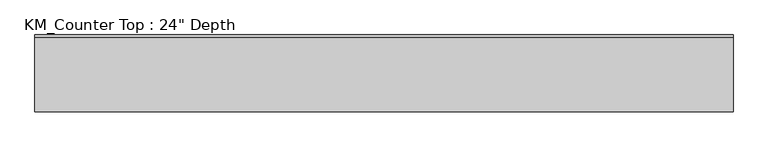
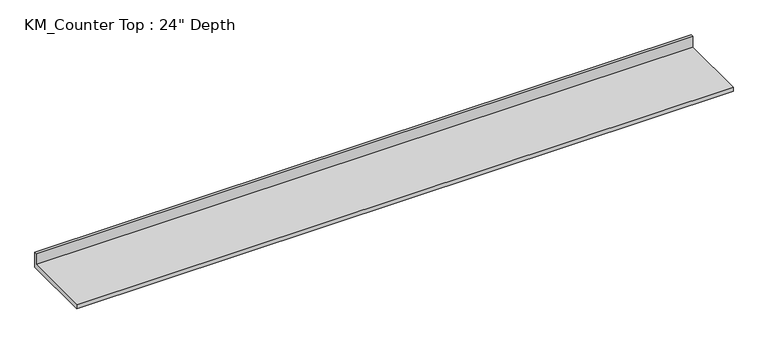
"""IFC4 building model written with IfcOpenShell, lengths in millimetres: furniture geometry."""

from ifc_helpers import new_model, si_unit, frame, origin, place, context, project, spatial, polyline, outline, extrude, source, transform, mapped, element, save


def furniture_95895d9a(model_context):
    return source(origin(), model_context, "Body", "SweptSolid", [
        extrude(outline(polyline([(0.0, 965.2), (0.0, 825.5), (-635.0, 825.5), (-635.0, 863.6), (-19.05, 863.6), (-19.05, 965.2), (0.0, 965.2)])), frame((-1200.4622951, 0.0, 0.0), z_axis=(1.0, 0.0, 0.0), x_axis=(0.0, 1.0, 0.0)), (0.0, 0.0, 1.0), 5765.8),
    ])


if __name__ == "__main__":
    model = new_model("IFC4")
    model_context = context("Model", 3, world=origin())
    ifc_project = project(units=[si_unit("LENGTHUNIT", "METRE", prefix="MILLI")], contexts=[model_context])
    site = spatial("IfcSite", under=ifc_project)
    building = spatial("IfcBuilding", under=site)
    placement = place(None, origin())
    furniture_shape = furniture_95895d9a(model_context)
    element("IfcFurniture", 1, ObjectType="KM_Counter Top : 24\" Depth", at=placement, inside=building, context=model_context, shape_type="MappedRepresentation", body=[
        mapped(furniture_shape, transform((0.0, 0.0, 0.0), x_axis=(1.0, 0.0, 0.0), y_axis=(0.0, 1.0, 0.0), z_axis=(0.0, 0.0, 1.0))),
    ])
    save(model, "model.ifc")
